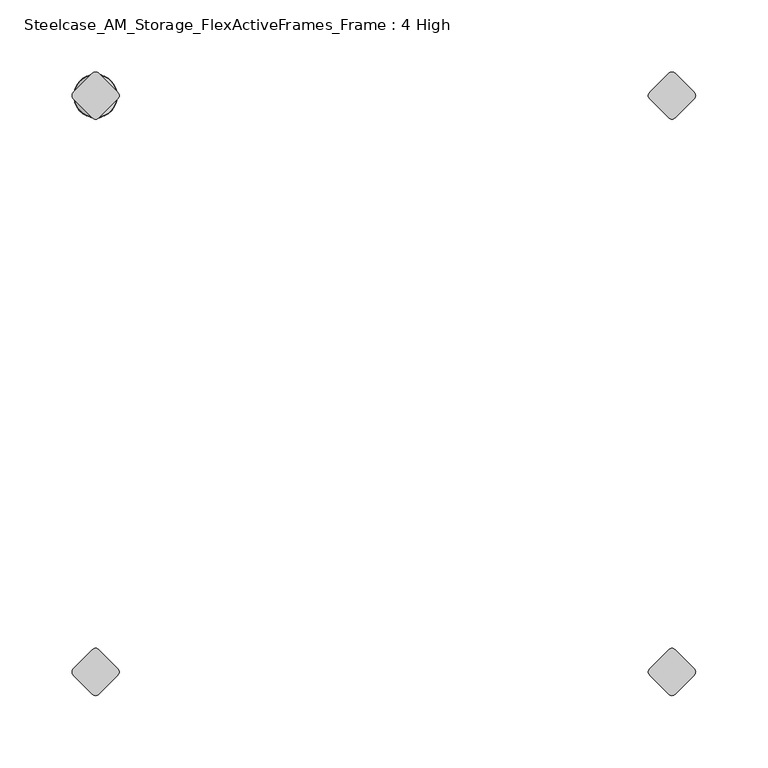
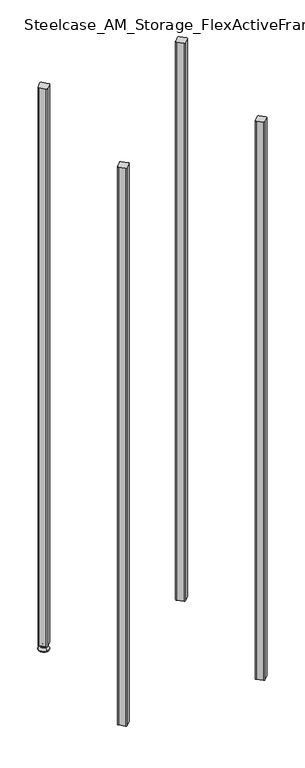
"""IFC4 building model written with IfcOpenShell, lengths in millimetres: furniture geometry, Steelcase_AM_Storage_FlexActiveFrames_Frame : 4 High."""

from ifc_helpers import new_model, si_unit, point, frame, frame_2d, origin, place, context, project, spatial, polyline, circle_curve, ellipse_curve, trimmed, segment, composite_curve, outline, extrude, source, transform, mapped, element, save
from ifc_brep_helpers import plane_surface, cylinder_surface, revolved_surface, advanced_brep


def steelcase_am_storage_flexactiveframes_frame_4_high_14498b69(model_context):
    return source(origin(), model_context, "Body", "SolidModel", [
        advanced_brep(
        [(0.0, 3.999659, 15.9766), (0.0, -3.999659, 15.9766), (0.0, 0.0, 15.9766), (0.0, 3.999659, 12.6000054), (0.0, -3.999659, 12.6000054), (0.0, 5.8601455, 12.6000054), (0.0, -5.8601455, 12.6000054), (0.0, 6.4951462, 11.9650074), (0.0, -6.4951462, 11.9650074), (0.0, 6.4951462, 9.0000124), (0.0, -6.4951462, 9.0000124), (0.0, 8.7421976, 9.0000124), (0.0, -8.7421976, 9.0000124), (0.0, 14.7060077, 2.3275608), (0.0, -14.7060077, 2.3275608), (0.0, 13.664601, 0.0), (0.0, -13.664601, 0.0), (0.0, 0.0, 0.0)],
        [
            (0, 1, circle_curve(frame((0.0, 0.0, 15.9766), z_axis=(0.0, 0.0, 1.0), x_axis=(0.0, -1.0, 0.0)), 3.999659)),
            (1, 2),
            (2, 0),
            (1, 0, circle_curve(frame((0.0, 0.0, 15.9766), z_axis=(0.0, 0.0, 1.0), x_axis=(0.0, -1.0, 0.0)), 3.999659)),
            (3, 4, circle_curve(frame((0.0, 0.0, 12.6000054), z_axis=(0.0, 0.0, 1.0), x_axis=(0.0, -1.0, 0.0)), 3.999659)),
            (4, 1),
            (0, 3),
            (4, 3, circle_curve(frame((0.0, 0.0, 12.6000054), z_axis=(0.0, 0.0, 1.0), x_axis=(0.0, -1.0, 0.0)), 3.999659)),
            (5, 6, circle_curve(frame((0.0, 0.0, 12.6000054), z_axis=(0.0, 0.0, 1.0), x_axis=(0.0, -1.0, 0.0)), 5.8601455)),
            (6, 4),
            (3, 5),
            (6, 5, circle_curve(frame((0.0, 0.0, 12.6000054), z_axis=(0.0, 0.0, 1.0), x_axis=(0.0, -1.0, 0.0)), 5.8601455)),
            (7, 8, circle_curve(frame((0.0, 0.0, 11.9650074), z_axis=(0.0, 0.0, 1.0), x_axis=(0.0, -1.0, 0.0)), 6.4951462)),
            (8, 6, circle_curve(frame((0.0, -5.8601462, 11.9650074), z_axis=(-1.0, 0.0, 0.0), x_axis=(0.0, 1.0, 0.0)), 0.635)),
            (5, 7, circle_curve(frame((0.0, 5.8601462, 11.9650074), z_axis=(-1.0, 0.0, 0.0), x_axis=(0.0, -1.0, 0.0)), 0.635)),
            (8, 7, circle_curve(frame((0.0, 0.0, 11.9650074), z_axis=(0.0, 0.0, 1.0), x_axis=(0.0, -1.0, 0.0)), 6.4951462)),
            (9, 10, circle_curve(frame((0.0, 0.0, 9.0000124), z_axis=(0.0, 0.0, 1.0), x_axis=(0.0, -1.0, 0.0)), 6.4951462)),
            (10, 8),
            (7, 9),
            (10, 9, circle_curve(frame((0.0, 0.0, 9.0000124), z_axis=(0.0, 0.0, 1.0), x_axis=(0.0, -1.0, 0.0)), 6.4951462)),
            (11, 12, circle_curve(frame((0.0, 0.0, 9.0000124), z_axis=(0.0, 0.0, 1.0), x_axis=(0.0, -1.0, 0.0)), 8.7421976)),
            (12, 10),
            (9, 11),
            (12, 11, circle_curve(frame((0.0, 0.0, 9.0000124), z_axis=(0.0, 0.0, 1.0), x_axis=(0.0, -1.0, 0.0)), 8.7421976)),
            (13, 14, circle_curve(frame((0.0, 0.0, 2.3275608), z_axis=(0.0, 0.0, 1.0), x_axis=(0.0, -1.0, 0.0)), 14.7060077)),
            (14, 12),
            (11, 13),
            (14, 13, circle_curve(frame((0.0, 0.0, 2.3275608), z_axis=(0.0, 0.0, 1.0), x_axis=(0.0, -1.0, 0.0)), 14.7060077)),
            (15, 16, circle_curve(frame((0.0, 0.0, 0.0), z_axis=(0.0, 0.0, 1.0), x_axis=(0.0, -1.0, 0.0)), 13.664601)),
            (16, 14, circle_curve(frame((0.0, -13.664601, 1.3967556), z_axis=(-1.0, 0.0, 0.0), x_axis=(0.0, 1.0, 0.0)), 1.3967556)),
            (13, 15, circle_curve(frame((0.0, 13.664601, 1.3967556), z_axis=(-1.0, 0.0, 0.0), x_axis=(0.0, -1.0, 0.0)), 1.3967556)),
            (16, 15, circle_curve(frame((0.0, 0.0, 0.0), z_axis=(0.0, 0.0, 1.0), x_axis=(0.0, -1.0, 0.0)), 13.664601)),
            (17, 16),
            (15, 17),
        ],
        [
            plane_surface(frame((0.0, 0.0, 15.9766), z_axis=(0.0, 0.0, 1.0), x_axis=(0.0, -1.0, 0.0))),
            cylinder_surface(frame((0.0, 0.0, -4.132372), z_axis=(0.0, 0.0, -1.0), x_axis=(0.0, -1.0, 0.0)), 3.999659),
            plane_surface(frame((0.0, 0.0, 12.6000054), z_axis=(0.0, 0.0, 1.0), x_axis=(0.0, -1.0, 0.0))),
            revolved_surface(trimmed(ellipse_curve(frame((0.0, -5.8601462, 11.9650074), z_axis=(1.0, 0.0, 0.0), x_axis=(0.0, 1.0, 0.0)), 0.635, 0.635), [point((0.0, -5.8601455, 12.6000074))], [point((0.0, -6.4951462, 11.9650074))], True, "CARTESIAN"), (0.0, 0.0, -4.132372), (0.0, 0.0, -1.0)),
            cylinder_surface(frame((0.0, 0.0, -4.132372), z_axis=(0.0, 0.0, -1.0), x_axis=(0.0, -1.0, 0.0)), 6.4951462),
            plane_surface(frame((0.0, 0.0, 9.0000124), z_axis=(0.0, 0.0, 1.0), x_axis=(0.0, -1.0, 0.0))),
            revolved_surface(polyline([(0.0, -8.7421976, 9.0000124), (0.0, -14.7060077, 2.3275608)]), (0.0, 0.0, -4.132372), (0.0, 0.0, -1.0)),
            revolved_surface(trimmed(ellipse_curve(frame((0.0, -13.664601, 1.3967556), z_axis=(1.0, 0.0, 0.0), x_axis=(0.0, 1.0, 0.0)), 1.3967556, 1.3967556), [point((0.0, -14.7060077, 2.3275608))], [point((0.0, -13.664601, 0.0))], True, "CARTESIAN"), (0.0, 0.0, -4.132372), (0.0, 0.0, -1.0)),
            plane_surface(frame((0.0, 0.0, 0.0), z_axis=(0.0, 0.0, -1.0), x_axis=(0.0, -1.0, 0.0))),
        ],
        [
            (0, [[1, 2, 3]]),
            (0, [[4, -3, -2]]),
            (1, [[5, 6, -1, 7]]),
            (1, [[8, -7, -4, -6]]),
            (2, [[9, 10, -5, 11]]),
            (2, [[12, -11, -8, -10]]),
            (3, [[13, 14, -9, 15]]),
            (3, [[16, -15, -12, -14]]),
            (4, [[17, 18, -13, 19]]),
            (4, [[20, -19, -16, -18]]),
            (5, [[21, 22, -17, 23]]),
            (5, [[24, -23, -20, -22]]),
            (6, [[25, 26, -21, 27]]),
            (6, [[28, -27, -24, -26]]),
            (7, [[29, 30, -25, 31]]),
            (7, [[32, -31, -28, -30]]),
            (8, [[33, -29, 34]]),
            (8, [[-34, -32, -33]]),
        ],
    ),
        extrude(outline(composite_curve([segment(polyline([(-2.245064, -15.4326055), (-15.4326055, -2.245064)]), True, "CONTINUOUS"), segment(trimmed(circle_curve(frame_2d((-13.1875415, 0.0)), 3.175), [point((-15.4326055, -2.245064))], [point((-15.4326055, 2.245064))], False, "CARTESIAN"), True, "CONTINUOUS"), segment(polyline([(-15.4326055, 2.245064), (-2.245064, 15.4326055)]), True, "CONTINUOUS"), segment(trimmed(circle_curve(frame_2d((0.0, 13.1875415)), 3.175), [point((-2.245064, 15.4326055))], [point((2.245064, 15.4326055))], False, "CARTESIAN"), True, "CONTINUOUS"), segment(polyline([(2.245064, 15.4326055), (15.4326055, 2.245064)]), True, "CONTINUOUS"), segment(trimmed(circle_curve(frame_2d((13.1875415, 0.0)), 3.175), [point((15.4326055, 2.245064))], [point((15.4326055, -2.245064))], False, "CARTESIAN"), True, "CONTINUOUS"), segment(polyline([(15.4326055, -2.245064), (2.245064, -15.4326055)]), True, "CONTINUOUS"), segment(trimmed(circle_curve(frame_2d((0.0, -13.1875415)), 3.175), [point((2.245064, -15.4326055))], [point((-2.245064, -15.4326055))], False, "CARTESIAN"), True, "CONTINUOUS")], self_intersect=False)), frame((0.0, 0.0, 15.9766), z_axis=(0.0, 0.0, 1.0), x_axis=(1.0, 0.0, 0.0)), (0.0, 0.0, 1.0), 1709.9534),
        extrude(outline(composite_curve([segment(trimmed(circle_curve(frame_2d((400.05, -13.1875415)), 3.175), [point((402.295064, -15.4326055))], [point((397.804936, -15.4326055))], False, "CARTESIAN"), True, "CONTINUOUS"), segment(polyline([(397.804936, -15.4326055), (384.6173945, -2.245064)]), True, "CONTINUOUS"), segment(trimmed(circle_curve(frame_2d((386.8624585, 0.0)), 3.175), [point((384.6173945, -2.245064))], [point((384.6173945, 2.245064))], False, "CARTESIAN"), True, "CONTINUOUS"), segment(polyline([(384.6173945, 2.245064), (397.804936, 15.4326055)]), True, "CONTINUOUS"), segment(trimmed(circle_curve(frame_2d((400.05, 13.1875415)), 3.175), [point((397.804936, 15.4326055))], [point((402.295064, 15.4326055))], False, "CARTESIAN"), True, "CONTINUOUS"), segment(polyline([(402.295064, 15.4326055), (415.4826055, 2.245064)]), True, "CONTINUOUS"), segment(trimmed(circle_curve(frame_2d((413.2375415, 0.0)), 3.175), [point((415.4826055, 2.245064))], [point((415.4826055, -2.245064))], False, "CARTESIAN"), True, "CONTINUOUS"), segment(polyline([(415.4826055, -2.245064), (402.295064, -15.4326055)]), True, "CONTINUOUS")], self_intersect=False)), frame((0.0, 0.0, 15.9766), z_axis=(0.0, 0.0, 1.0), x_axis=(1.0, 0.0, 0.0)), (0.0, 0.0, 1.0), 1709.9534),
        extrude(outline(composite_curve([segment(polyline([(402.295064, -384.6173945), (415.4826055, -397.804936)]), True, "CONTINUOUS"), segment(trimmed(circle_curve(frame_2d((413.2375415, -400.05)), 3.175), [point((415.4826055, -397.804936))], [point((415.4826055, -402.295064))], False, "CARTESIAN"), True, "CONTINUOUS"), segment(polyline([(415.4826055, -402.295064), (402.295064, -415.4826055)]), True, "CONTINUOUS"), segment(trimmed(circle_curve(frame_2d((400.05, -413.2375415)), 3.175), [point((402.295064, -415.4826055))], [point((397.804936, -415.4826055))], False, "CARTESIAN"), True, "CONTINUOUS"), segment(polyline([(397.804936, -415.4826055), (384.6173945, -402.295064)]), True, "CONTINUOUS"), segment(trimmed(circle_curve(frame_2d((386.8624585, -400.05)), 3.175), [point((384.6173945, -402.295064))], [point((384.6173945, -397.804936))], False, "CARTESIAN"), True, "CONTINUOUS"), segment(polyline([(384.6173945, -397.804936), (397.804936, -384.6173945)]), True, "CONTINUOUS"), segment(trimmed(circle_curve(frame_2d((400.05, -386.8624585)), 3.175), [point((397.804936, -384.6173945))], [point((402.295064, -384.6173945))], False, "CARTESIAN"), True, "CONTINUOUS")], self_intersect=False)), frame((0.0, 0.0, 15.9766), z_axis=(0.0, 0.0, 1.0), x_axis=(1.0, 0.0, 0.0)), (0.0, 0.0, 1.0), 1709.9534),
        extrude(outline(composite_curve([segment(trimmed(circle_curve(frame_2d((0.0, -386.8624585)), 3.175), [point((-2.245064, -384.6173945))], [point((2.245064, -384.6173945))], False, "CARTESIAN"), True, "CONTINUOUS"), segment(polyline([(2.245064, -384.6173945), (15.4326055, -397.804936)]), True, "CONTINUOUS"), segment(trimmed(circle_curve(frame_2d((13.1875415, -400.05)), 3.175), [point((15.4326055, -397.804936))], [point((15.4326055, -402.295064))], False, "CARTESIAN"), True, "CONTINUOUS"), segment(polyline([(15.4326055, -402.295064), (2.245064, -415.4826055)]), True, "CONTINUOUS"), segment(trimmed(circle_curve(frame_2d((0.0, -413.2375415)), 3.175), [point((2.245064, -415.4826055))], [point((-2.245064, -415.4826055))], False, "CARTESIAN"), True, "CONTINUOUS"), segment(polyline([(-2.245064, -415.4826055), (-15.4326055, -402.295064)]), True, "CONTINUOUS"), segment(trimmed(circle_curve(frame_2d((-13.1875415, -400.05)), 3.175), [point((-15.4326055, -402.295064))], [point((-15.4326055, -397.804936))], False, "CARTESIAN"), True, "CONTINUOUS"), segment(polyline([(-15.4326055, -397.804936), (-2.245064, -384.6173945)]), True, "CONTINUOUS")], self_intersect=False)), frame((0.0, 0.0, 15.9766), z_axis=(0.0, 0.0, 1.0), x_axis=(1.0, 0.0, 0.0)), (0.0, 0.0, 1.0), 1709.9534),
    ])


if __name__ == "__main__":
    model = new_model("IFC4")
    model_context = context("Model", 3, world=origin())
    ifc_project = project(units=[si_unit("LENGTHUNIT", "METRE", prefix="MILLI")], contexts=[model_context])
    site = spatial("IfcSite", under=ifc_project)
    building = spatial("IfcBuilding", under=site)
    placement = place(None, origin())
    steelcase_am_storage_flexactiveframes_frame_4_high_shape = steelcase_am_storage_flexactiveframes_frame_4_high_14498b69(model_context)
    element("IfcFurniture", 1, ObjectType="Steelcase_AM_Storage_FlexActiveFrames_Frame : 4 High", at=placement, inside=building, context=model_context, shape_type="MappedRepresentation", body=[
        mapped(steelcase_am_storage_flexactiveframes_frame_4_high_shape, transform((0.0, 0.0, 0.0), x_axis=(1.0, 0.0, 0.0), y_axis=(0.0, 1.0, 0.0), z_axis=(0.0, 0.0, 1.0))),
    ])
    save(model, "model.ifc")
